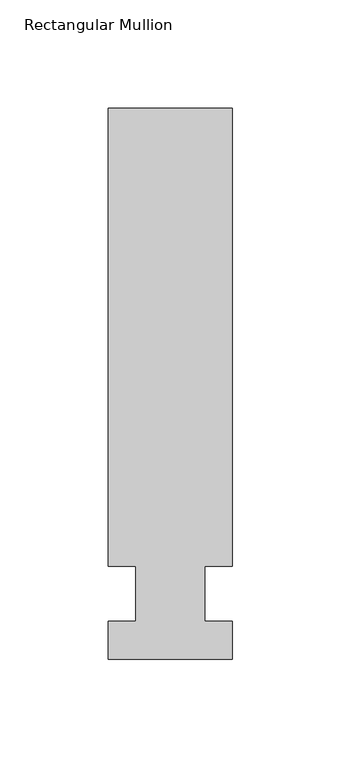
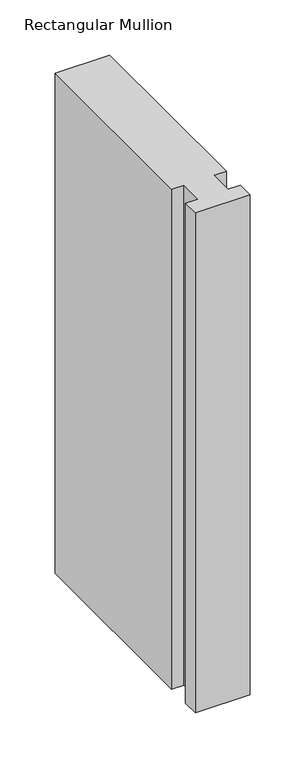
"""IFC4 building model written with IfcOpenShell, lengths in millimetres: member geometry, Rectangular Mullion."""

from ifc_helpers import new_model, si_unit, frame, origin, place, context, project, spatial, polyline, outline, extrude, source, transform, mapped, element, save


def rectangular_mullion_bbac0087(model_context):
    return source(origin(), model_context, "Body", "SweptSolid", [
        extrude(outline(polyline([(28.575, 223.8375), (28.575, 12.7), (15.8732296, 12.7), (15.8732296, -12.7), (28.575, -12.7), (28.575, -30.1625), (-28.575, -30.1625), (-28.575, -12.7), (-15.875, -12.7), (-15.875, 12.7), (-28.575, 12.7), (-28.575, 223.8375), (28.575, 223.8375)])), frame((0.0, 0.0, -552.45), z_axis=(0.0, 0.0, 1.0), x_axis=(1.0, 0.0, 0.0)), (0.0, 0.0, 1.0), 552.45),
    ])


if __name__ == "__main__":
    model = new_model("IFC4")
    model_context = context("Model", 3, world=origin())
    ifc_project = project(units=[si_unit("LENGTHUNIT", "METRE", prefix="MILLI")], contexts=[model_context])
    site = spatial("IfcSite", under=ifc_project)
    building = spatial("IfcBuilding", under=site)
    placement = place(None, origin())
    rectangular_mullion_shape = rectangular_mullion_bbac0087(model_context)
    element("IfcMember", 1, ObjectType="Rectangular Mullion", at=placement, inside=building, context=model_context, shape_type="MappedRepresentation", body=[
        mapped(rectangular_mullion_shape, transform((0.0, 0.0, 0.0), x_axis=(1.0, 0.0, 0.0), y_axis=(0.0, 1.0, 0.0), z_axis=(0.0, 0.0, 1.0))),
    ])
    save(model, "model.ifc")
